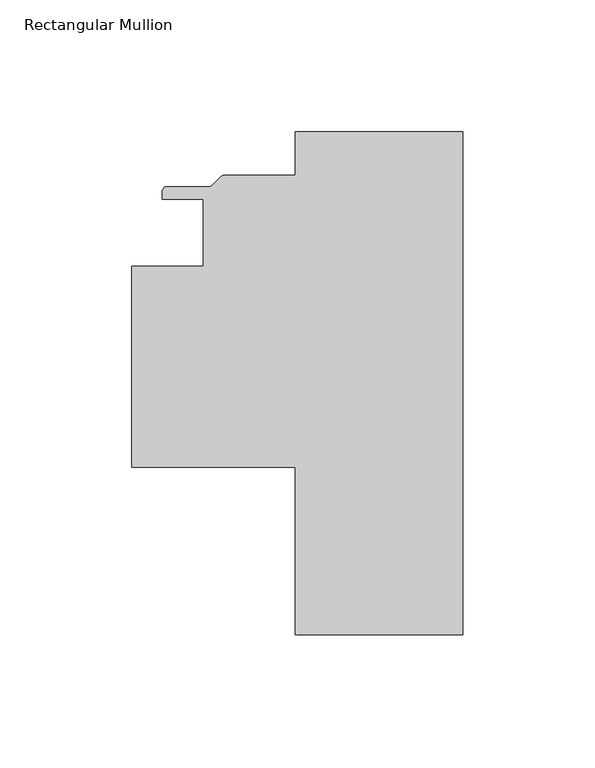
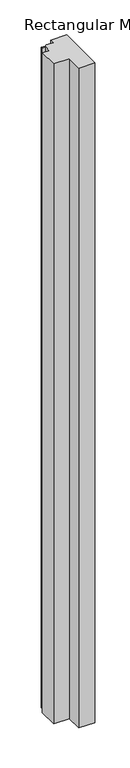
"""IFC4 building model written with IfcOpenShell, lengths in millimetres: member geometry, Rectangular Mullion."""

from ifc_helpers import new_model, si_unit, point, frame, frame_2d, origin, place, context, project, spatial, polyline, circle_curve, trimmed, segment, composite_curve, outline, extrude, source, transform, mapped, element, save


def rectangular_mullion_25f387af(model_context):
    return source(origin(), model_context, "Body", "SweptSolid", [
        extrude(outline(composite_curve([segment(polyline([(0.0, -190.499995), (-63.5, -190.499995), (-63.5, -127.000794), (-125.4087917, -127.000794), (-125.4087917, -50.800794), (-98.4212917, -50.800794), (-98.4212917, -25.4007941), (-113.9224412, -25.4007941), (-113.9224412, -22.479794)]), True, "CONTINUOUS"), segment(trimmed(circle_curve(frame_2d((-112.1444412, -22.479794)), 1.778), [point((-113.9224412, -22.479794))], [point((-112.1444412, -20.701794))], False, "CARTESIAN"), True, "CONTINUOUS"), segment(polyline([(-112.1444412, -20.701794), (-96.2764051, -20.701794)]), True, "CONTINUOUS"), segment(trimmed(circle_curve(frame_2d((-96.2764051, -18.923794)), 1.778), [point((-96.2764051, -20.701794))], [point((-95.0191693, -20.1810299))], True, "CARTESIAN"), True, "CONTINUOUS"), segment(polyline([(-95.0191693, -20.1810299), (-91.7934976, -16.9553581)]), True, "CONTINUOUS"), segment(trimmed(circle_curve(frame_2d((-90.5362617, -18.212594)), 1.778), [point((-91.7934976, -16.9553581))], [point((-90.5362617, -16.434594))], False, "CARTESIAN"), True, "CONTINUOUS"), segment(polyline([(-90.5362617, -16.434594), (-63.5, -16.434594), (-63.5, 5e-06), (0.0, 5e-06), (0.0, -190.499995)]), True, "CONTINUOUS")], self_intersect=False)), frame((0.0, 0.0, -2743.2), z_axis=(0.0, 0.0, 1.0), x_axis=(1.0, 0.0, 0.0)), (0.0, 0.0, 1.0), 2743.2),
    ])


if __name__ == "__main__":
    model = new_model("IFC4")
    model_context = context("Model", 3, world=origin())
    ifc_project = project(units=[si_unit("LENGTHUNIT", "METRE", prefix="MILLI")], contexts=[model_context])
    site = spatial("IfcSite", under=ifc_project)
    building = spatial("IfcBuilding", under=site)
    placement = place(None, origin())
    rectangular_mullion_shape = rectangular_mullion_25f387af(model_context)
    element("IfcMember", 1, ObjectType="Rectangular Mullion", at=placement, inside=building, context=model_context, shape_type="MappedRepresentation", body=[
        mapped(rectangular_mullion_shape, transform((0.0, 0.0, 0.0), x_axis=(1.0, 0.0, 0.0), y_axis=(0.0, 1.0, 0.0), z_axis=(0.0, 0.0, 1.0))),
    ])
    save(model, "model.ifc")
